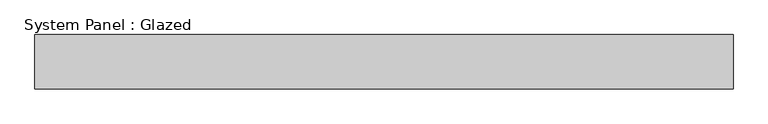
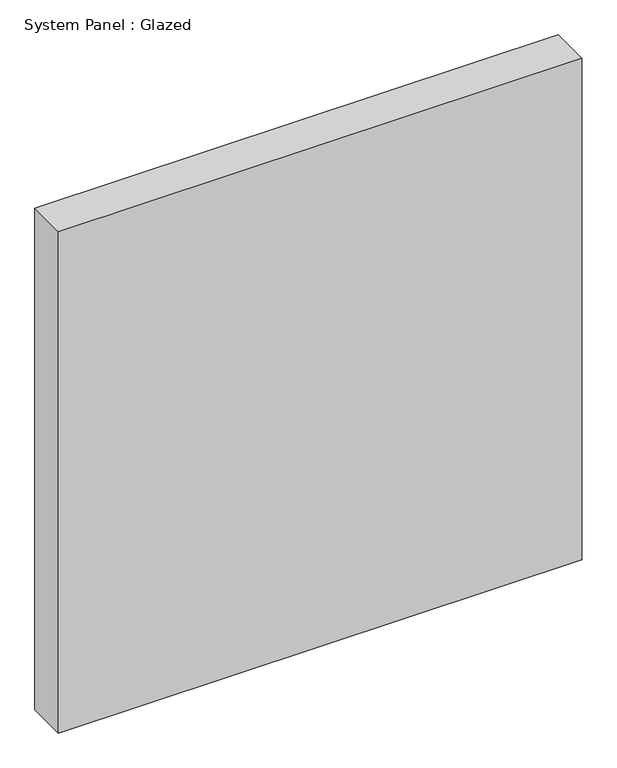
"""IFC4 building model written with IfcOpenShell, lengths in millimetres: plate geometry, System Panel : Glazed."""

from ifc_helpers import new_model, si_unit, origin, origin_with_axes, place, context, project, spatial, polyline, outline, extrude, source, transform, mapped, element, save


def system_panel_glazed_b5423610(model_context):
    return source(origin(), model_context, "Body", "SweptSolid", [
        extrude(outline(polyline([(641.6666667, -150.0), (-641.6666667, -150.0), (-641.6666667, -50.0), (641.6666667, -50.0), (641.6666667, -150.0)])), origin_with_axes(), (0.0, 0.0, 1.0), 1300.0),
    ])


if __name__ == "__main__":
    model = new_model("IFC4")
    model_context = context("Model", 3, world=origin())
    ifc_project = project(units=[si_unit("LENGTHUNIT", "METRE", prefix="MILLI")], contexts=[model_context])
    site = spatial("IfcSite", under=ifc_project)
    building = spatial("IfcBuilding", under=site)
    placement = place(None, origin())
    system_panel_glazed_shape = system_panel_glazed_b5423610(model_context)
    element("IfcPlate", 1, ObjectType="System Panel : Glazed", at=placement, inside=building, context=model_context, shape_type="MappedRepresentation", body=[
        mapped(system_panel_glazed_shape, transform((0.0, 0.0, 0.0), x_axis=(1.0, 0.0, 0.0), y_axis=(0.0, 1.0, 0.0), z_axis=(0.0, 0.0, 1.0))),
    ])
    save(model, "model.ifc")
